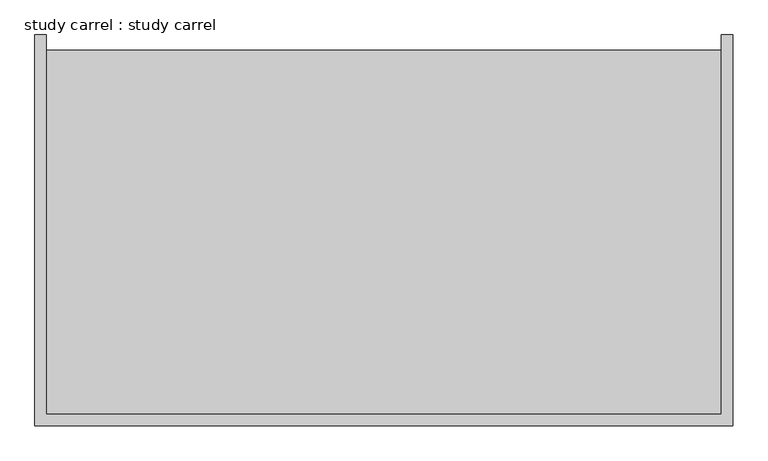
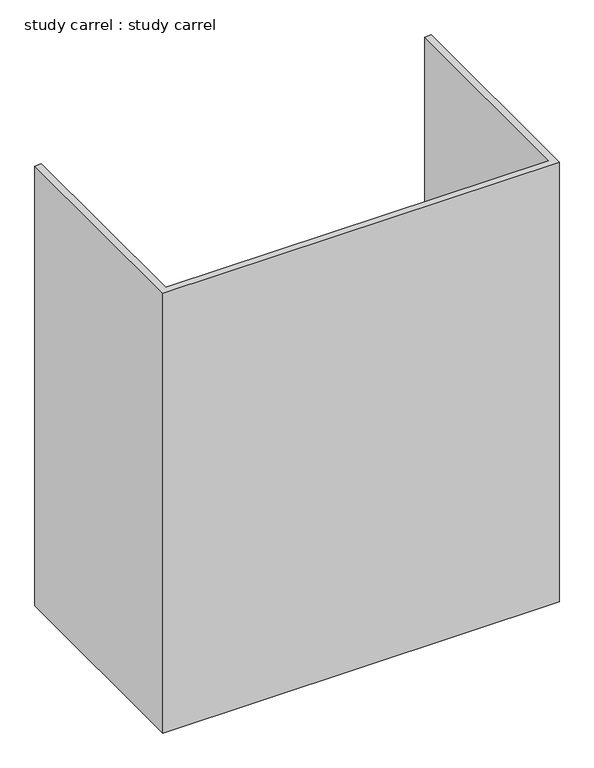
"""IFC4 building model written with IfcOpenShell, lengths in millimetres: furniture geometry, study carrel : study carrel."""

from ifc_helpers import new_model, si_unit, frame, origin, origin_with_axes, place, context, project, spatial, polyline, outline, extrude, source, transform, mapped, element, save


def study_carrel_study_carrel_4d6b1aa0(model_context):
    return source(origin(), model_context, "Body", "SweptSolid", [
        extrude(outline(polyline([(0.0, 25.4), (0.0, -609.6), (1130.3, -609.6), (1130.3, 25.4), (1149.35, 25.4), (1149.35, -628.65), (-19.05, -628.65), (-19.05, 25.4), (0.0, 25.4)])), origin_with_axes(), (0.0, 0.0, 1.0), 1371.6),
        extrude(outline(polyline([(1130.3, 0.0), (1130.3, -609.6), (0.0, -609.6), (0.0, 0.0), (1130.3, 0.0)])), frame((0.0, 0.0, 812.8), z_axis=(0.0, 0.0, 1.0), x_axis=(1.0, 0.0, 0.0)), (0.0, 0.0, 1.0), 50.8),
    ])


if __name__ == "__main__":
    model = new_model("IFC4")
    model_context = context("Model", 3, world=origin())
    ifc_project = project(units=[si_unit("LENGTHUNIT", "METRE", prefix="MILLI")], contexts=[model_context])
    site = spatial("IfcSite", under=ifc_project)
    building = spatial("IfcBuilding", under=site)
    placement = place(None, origin())
    study_carrel_study_carrel_shape = study_carrel_study_carrel_4d6b1aa0(model_context)
    element("IfcFurniture", 1, ObjectType="study carrel : study carrel", at=placement, inside=building, context=model_context, shape_type="MappedRepresentation", body=[
        mapped(study_carrel_study_carrel_shape, transform((0.0, 0.0, 0.0), x_axis=(1.0, 0.0, 0.0), y_axis=(0.0, 1.0, 0.0), z_axis=(0.0, 0.0, 1.0))),
    ])
    save(model, "model.ifc")
